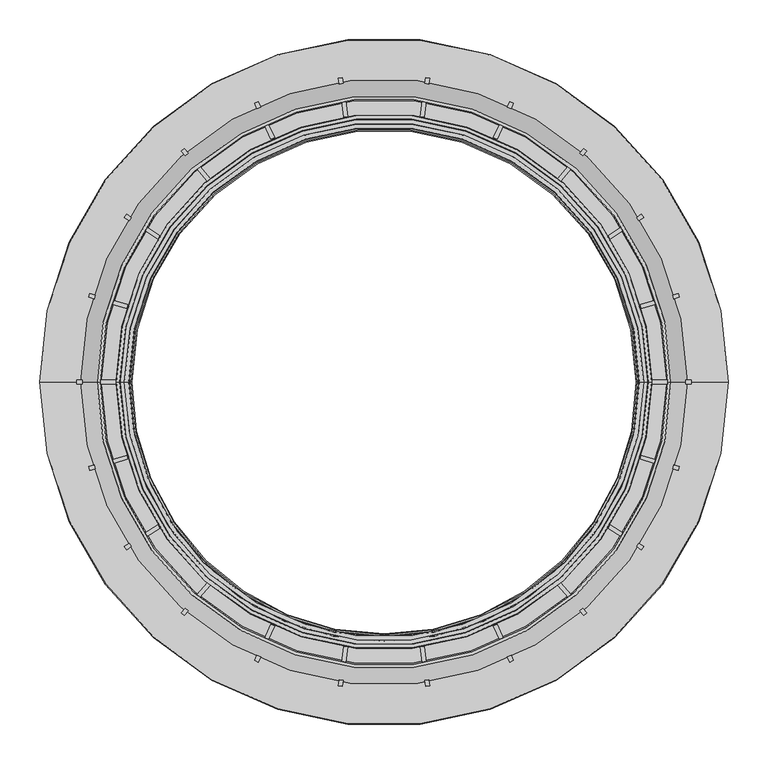
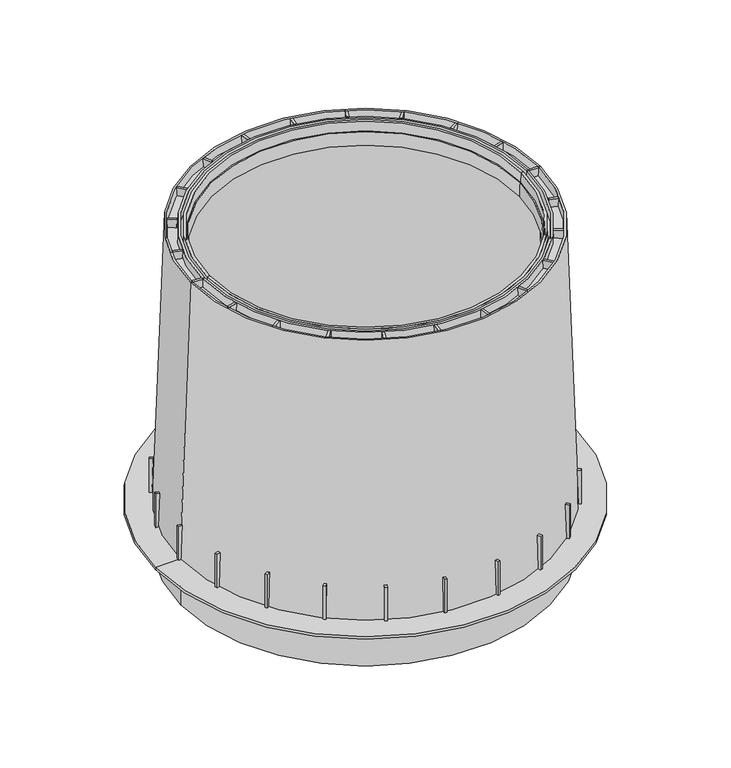
"""IFC4 building model written with IfcOpenShell, lengths in millimetres: proxy geometry."""

from ifc_helpers import new_model, si_unit, frame, origin, place, context, project, spatial, polyline, circle_curve, outline, extrude, source, transform, mapped, element, save
from ifc_brep_helpers import plane_surface, revolved_surface, advanced_brep


def specialty_equipment_e8b2a2d0(model_context):
    return source(origin(), model_context, "Body", "SolidModel", [
        advanced_brep(
        [(435.0, 0.0, 11.0), (-435.0, 0.0, 11.0), (-383.7904754, 0.0, 11.0), (383.7904754, 0.0, 11.0), (435.524932, 0.0, 5.0), (-435.524932, 0.0, 5.0), (384.0139606, 0.0, 5.0), (-384.0139606, 0.0, 5.0), (383.0190866, 0.0, -90.0), (-383.0190866, 0.0, -90.0), (378.8253524, 0.0, -90.0), (-378.8253524, 0.0, -90.0), (377.9963, 0.0, 5.0), (-377.9963, 0.0, 5.0), (357.7355977, 0.0, 585.5), (-357.7355977, 0.0, 585.5), (327.3017332, 0.0, 585.5), (-327.3017332, 0.0, 585.5), (325.0707722, 0.0, 560.0), (-325.0707722, 0.0, 560.0), (319.0707722, 0.0, 560.0), (-319.0707722, 0.0, 560.0), (320.0770663, 0.0, 588.8164931), (-320.0770663, 0.0, 588.8164931), (322.0894576, 0.0, 589.171332), (-322.0894576, 0.0, 589.171332), (322.8168107, 0.0, 610.0), (-322.8168107, 0.0, 610.0), (328.1339942, 0.0, 610.0), (-328.1339942, 0.0, 610.0), (328.2867144, 0.0, 592.5), (-328.2867144, 0.0, 592.5), (333.3742766, 0.0, 592.5), (-333.3742766, 0.0, 592.5), (333.98539, 0.0, 610.0), (-333.98539, 0.0, 610.0), (338.4742808, 0.0, 610.0), (-338.4742808, 0.0, 610.0), (339.0853943, 0.0, 592.5), (-339.0853943, 0.0, 592.5), (357.4840479, 0.0, 592.5), (-357.4840479, 0.0, 592.5), (359.0150995, 0.0, 610.0), (-359.0150995, 0.0, 610.0), (362.8729324, 0.0, 610.0), (-362.8729324, 0.0, 610.0)],
        [
            (0, 1, circle_curve(frame((0.0, 0.0, 11.0), z_axis=(0.0, 0.0, 1.0), x_axis=(-1.0, 0.0, 0.0)), 435.0)),
            (1, 2),
            (2, 3, circle_curve(frame((0.0, 0.0, 11.0), z_axis=(0.0, 0.0, -1.0), x_axis=(-1.0, 0.0, 0.0)), 383.7904754)),
            (3, 0),
            (1, 0, circle_curve(frame((0.0, 0.0, 11.0), z_axis=(0.0, 0.0, 1.0), x_axis=(-1.0, 0.0, 0.0)), 435.0)),
            (3, 2, circle_curve(frame((0.0, 0.0, 11.0), z_axis=(0.0, 0.0, -1.0), x_axis=(-1.0, 0.0, 0.0)), 383.7904754)),
            (4, 5, circle_curve(frame((0.0, 0.0, 5.0), z_axis=(0.0, 0.0, 1.0), x_axis=(-1.0, 0.0, 0.0)), 435.524932)),
            (5, 1),
            (0, 4),
            (5, 4, circle_curve(frame((0.0, 0.0, 5.0), z_axis=(0.0, 0.0, 1.0), x_axis=(-1.0, 0.0, 0.0)), 435.524932)),
            (6, 7, circle_curve(frame((0.0, 0.0, 5.0), z_axis=(0.0, 0.0, 1.0), x_axis=(-1.0, 0.0, 0.0)), 384.0139606)),
            (7, 5),
            (4, 6),
            (7, 6, circle_curve(frame((0.0, 0.0, 5.0), z_axis=(0.0, 0.0, 1.0), x_axis=(-1.0, 0.0, 0.0)), 384.0139606)),
            (8, 9, circle_curve(frame((0.0, 0.0, -90.0), z_axis=(0.0, 0.0, 1.0), x_axis=(-1.0, 0.0, 0.0)), 383.0190866)),
            (9, 7),
            (6, 8),
            (9, 8, circle_curve(frame((0.0, 0.0, -90.0), z_axis=(0.0, 0.0, 1.0), x_axis=(-1.0, 0.0, 0.0)), 383.0190866)),
            (10, 11, circle_curve(frame((0.0, 0.0, -90.0), z_axis=(0.0, 0.0, 1.0), x_axis=(-1.0, 0.0, 0.0)), 378.8253524)),
            (11, 9),
            (8, 10),
            (11, 10, circle_curve(frame((0.0, 0.0, -90.0), z_axis=(0.0, 0.0, 1.0), x_axis=(-1.0, 0.0, 0.0)), 378.8253524)),
            (12, 13, circle_curve(frame((0.0, 0.0, 5.0), z_axis=(0.0, 0.0, 1.0), x_axis=(-1.0, 0.0, 0.0)), 377.9963)),
            (13, 11),
            (10, 12),
            (13, 12, circle_curve(frame((0.0, 0.0, 5.0), z_axis=(0.0, 0.0, 1.0), x_axis=(-1.0, 0.0, 0.0)), 377.9963)),
            (14, 15, circle_curve(frame((0.0, 0.0, 585.5), z_axis=(0.0, 0.0, 1.0), x_axis=(-1.0, 0.0, 0.0)), 357.7355977)),
            (15, 13),
            (12, 14),
            (15, 14, circle_curve(frame((0.0, 0.0, 585.5), z_axis=(0.0, 0.0, 1.0), x_axis=(-1.0, 0.0, 0.0)), 357.7355977)),
            (16, 17, circle_curve(frame((0.0, 0.0, 585.5), z_axis=(0.0, 0.0, 1.0), x_axis=(-1.0, 0.0, 0.0)), 327.3017332)),
            (17, 15),
            (14, 16),
            (17, 16, circle_curve(frame((0.0, 0.0, 585.5), z_axis=(0.0, 0.0, 1.0), x_axis=(-1.0, 0.0, 0.0)), 327.3017332)),
            (18, 19, circle_curve(frame((0.0, 0.0, 560.0), z_axis=(0.0, 0.0, 1.0), x_axis=(-1.0, 0.0, 0.0)), 325.0707722)),
            (19, 17),
            (16, 18),
            (19, 18, circle_curve(frame((0.0, 0.0, 560.0), z_axis=(0.0, 0.0, 1.0), x_axis=(-1.0, 0.0, 0.0)), 325.0707722)),
            (20, 21, circle_curve(frame((0.0, 0.0, 560.0), z_axis=(0.0, 0.0, 1.0), x_axis=(-1.0, 0.0, 0.0)), 319.0707722)),
            (21, 19),
            (18, 20),
            (21, 20, circle_curve(frame((0.0, 0.0, 560.0), z_axis=(0.0, 0.0, 1.0), x_axis=(-1.0, 0.0, 0.0)), 319.0707722)),
            (22, 23, circle_curve(frame((0.0, 0.0, 588.8164931), z_axis=(0.0, 0.0, 1.0), x_axis=(-1.0, 0.0, 0.0)), 320.0770663)),
            (23, 21),
            (20, 22),
            (23, 22, circle_curve(frame((0.0, 0.0, 588.8164931), z_axis=(0.0, 0.0, 1.0), x_axis=(-1.0, 0.0, 0.0)), 320.0770663)),
            (24, 25, circle_curve(frame((0.0, 0.0, 589.171332), z_axis=(0.0, 0.0, 1.0), x_axis=(-1.0, 0.0, 0.0)), 322.0894576)),
            (25, 23),
            (22, 24),
            (25, 24, circle_curve(frame((0.0, 0.0, 589.171332), z_axis=(0.0, 0.0, 1.0), x_axis=(-1.0, 0.0, 0.0)), 322.0894576)),
            (26, 27, circle_curve(frame((0.0, 0.0, 610.0), z_axis=(0.0, 0.0, 1.0), x_axis=(-1.0, 0.0, 0.0)), 322.8168107)),
            (27, 25),
            (24, 26),
            (27, 26, circle_curve(frame((0.0, 0.0, 610.0), z_axis=(0.0, 0.0, 1.0), x_axis=(-1.0, 0.0, 0.0)), 322.8168107)),
            (28, 29, circle_curve(frame((0.0, 0.0, 610.0), z_axis=(0.0, 0.0, 1.0), x_axis=(-1.0, 0.0, 0.0)), 328.1339942)),
            (29, 27),
            (26, 28),
            (29, 28, circle_curve(frame((0.0, 0.0, 610.0), z_axis=(0.0, 0.0, 1.0), x_axis=(-1.0, 0.0, 0.0)), 328.1339942)),
            (30, 31, circle_curve(frame((0.0, 0.0, 592.5), z_axis=(0.0, 0.0, 1.0), x_axis=(-1.0, 0.0, 0.0)), 328.2867144)),
            (31, 29),
            (28, 30),
            (31, 30, circle_curve(frame((0.0, 0.0, 592.5), z_axis=(0.0, 0.0, 1.0), x_axis=(-1.0, 0.0, 0.0)), 328.2867144)),
            (32, 33, circle_curve(frame((0.0, 0.0, 592.5), z_axis=(0.0, 0.0, 1.0), x_axis=(-1.0, 0.0, 0.0)), 333.3742766)),
            (33, 31),
            (30, 32),
            (33, 32, circle_curve(frame((0.0, 0.0, 592.5), z_axis=(0.0, 0.0, 1.0), x_axis=(-1.0, 0.0, 0.0)), 333.3742766)),
            (34, 35, circle_curve(frame((0.0, 0.0, 610.0), z_axis=(0.0, 0.0, 1.0), x_axis=(-1.0, 0.0, 0.0)), 333.98539)),
            (35, 33),
            (32, 34),
            (35, 34, circle_curve(frame((0.0, 0.0, 610.0), z_axis=(0.0, 0.0, 1.0), x_axis=(-1.0, 0.0, 0.0)), 333.98539)),
            (36, 37, circle_curve(frame((0.0, 0.0, 610.0), z_axis=(0.0, 0.0, 1.0), x_axis=(-1.0, 0.0, 0.0)), 338.4742808)),
            (37, 35),
            (34, 36),
            (37, 36, circle_curve(frame((0.0, 0.0, 610.0), z_axis=(0.0, 0.0, 1.0), x_axis=(-1.0, 0.0, 0.0)), 338.4742808)),
            (38, 39, circle_curve(frame((0.0, 0.0, 592.5), z_axis=(0.0, 0.0, 1.0), x_axis=(-1.0, 0.0, 0.0)), 339.0853943)),
            (39, 37),
            (36, 38),
            (39, 38, circle_curve(frame((0.0, 0.0, 592.5), z_axis=(0.0, 0.0, 1.0), x_axis=(-1.0, 0.0, 0.0)), 339.0853943)),
            (40, 41, circle_curve(frame((0.0, 0.0, 592.5), z_axis=(0.0, 0.0, 1.0), x_axis=(-1.0, 0.0, 0.0)), 357.4840479)),
            (41, 39),
            (38, 40),
            (41, 40, circle_curve(frame((0.0, 0.0, 592.5), z_axis=(0.0, 0.0, 1.0), x_axis=(-1.0, 0.0, 0.0)), 357.4840479)),
            (42, 43, circle_curve(frame((0.0, 0.0, 610.0), z_axis=(0.0, 0.0, 1.0), x_axis=(-1.0, 0.0, 0.0)), 359.0150995)),
            (43, 41),
            (40, 42),
            (43, 42, circle_curve(frame((0.0, 0.0, 610.0), z_axis=(0.0, 0.0, 1.0), x_axis=(-1.0, 0.0, 0.0)), 359.0150995)),
            (44, 45, circle_curve(frame((0.0, 0.0, 610.0), z_axis=(0.0, 0.0, 1.0), x_axis=(-1.0, 0.0, 0.0)), 362.8729324)),
            (45, 43),
            (42, 44),
            (45, 44, circle_curve(frame((0.0, 0.0, 610.0), z_axis=(0.0, 0.0, 1.0), x_axis=(-1.0, 0.0, 0.0)), 362.8729324)),
            (2, 45),
            (44, 3),
        ],
        [
            plane_surface(frame((0.0, 0.0, 11.0), z_axis=(0.0, 0.0, 1.0), x_axis=(-1.0, 0.0, 0.0))),
            revolved_surface(polyline([(-435.0, 0.0, 11.0), (-435.524932, 0.0, 5.0)]), (0.0, 0.0, 491.5), (0.0, 0.0, -1.0)),
            plane_surface(frame((0.0, 0.0, 5.0), z_axis=(0.0, 0.0, -1.0), x_axis=(-1.0, 0.0, 0.0))),
            revolved_surface(polyline([(-384.0139606, 0.0, 5.0), (-383.0190866, 0.0, -90.0)]), (0.0, 0.0, 491.5), (0.0, 0.0, -1.0)),
            plane_surface(frame((0.0, 0.0, -90.0), z_axis=(0.0, 0.0, -1.0), x_axis=(-1.0, 0.0, 0.0))),
            revolved_surface(polyline([(-378.8253524, 0.0, -90.0), (-377.9963, 0.0, 5.0)]), (0.0, 0.0, 491.5), (0.0, 0.0, -1.0)),
            revolved_surface(polyline([(-377.9963, 0.0, 5.0), (-357.7355977, 0.0, 585.5)]), (0.0, 0.0, 491.5), (0.0, 0.0, -1.0)),
            plane_surface(frame((0.0, 0.0, 585.5), z_axis=(0.0, 0.0, -1.0), x_axis=(-1.0, 0.0, 0.0))),
            revolved_surface(polyline([(-327.3017332, 0.0, 585.5), (-325.0707722, 0.0, 560.0)]), (0.0, 0.0, 491.5), (0.0, 0.0, -1.0)),
            plane_surface(frame((0.0, 0.0, 560.0), z_axis=(0.0, 0.0, -1.0), x_axis=(-1.0, 0.0, 0.0))),
            revolved_surface(polyline([(-319.0707722, 0.0, 560.0), (-320.0770663, 0.0, 588.8164931)]), (0.0, 0.0, 491.5), (0.0, 0.0, -1.0)),
            revolved_surface(polyline([(-320.0770663, 0.0, 588.8164931), (-322.0894576, 0.0, 589.171332)]), (0.0, 0.0, 491.5), (0.0, 0.0, -1.0)),
            revolved_surface(polyline([(-322.0894576, 0.0, 589.171332), (-322.8168107, 0.0, 610.0)]), (0.0, 0.0, 491.5), (0.0, 0.0, -1.0)),
            plane_surface(frame((0.0, 0.0, 610.0), z_axis=(0.0, 0.0, 1.0), x_axis=(-1.0, 0.0, 0.0))),
            revolved_surface(polyline([(-328.1339942, 0.0, 610.0), (-328.2867144, 0.0, 592.5)]), (0.0, 0.0, 491.5), (0.0, 0.0, -1.0)),
            plane_surface(frame((0.0, 0.0, 592.5), z_axis=(0.0, 0.0, 1.0), x_axis=(-1.0, 0.0, 0.0))),
            revolved_surface(polyline([(-333.3742766, 0.0, 592.5), (-333.98539, 0.0, 610.0)]), (0.0, 0.0, 491.5), (0.0, 0.0, -1.0)),
            revolved_surface(polyline([(-338.4742808, 0.0, 610.0), (-339.0853943, 0.0, 592.5)]), (0.0, 0.0, 491.5), (0.0, 0.0, -1.0)),
            revolved_surface(polyline([(-357.4840479, 0.0, 592.5), (-359.0150995, 0.0, 610.0)]), (0.0, 0.0, 491.5), (0.0, 0.0, -1.0)),
            revolved_surface(polyline([(-362.8729324, 0.0, 610.0), (-383.7904754, 0.0, 11.0)]), (0.0, 0.0, 491.5), (0.0, 0.0, -1.0)),
        ],
        [
            (0, [[1, 2, 3, 4]]),
            (0, [[5, -4, 6, -2]]),
            (1, [[7, 8, -1, 9]]),
            (1, [[10, -9, -5, -8]]),
            (2, [[11, 12, -7, 13]]),
            (2, [[14, -13, -10, -12]]),
            (3, [[15, 16, -11, 17]]),
            (3, [[18, -17, -14, -16]]),
            (4, [[19, 20, -15, 21]]),
            (4, [[22, -21, -18, -20]]),
            (5, [[23, 24, -19, 25]]),
            (5, [[26, -25, -22, -24]]),
            (6, [[27, 28, -23, 29]]),
            (6, [[30, -29, -26, -28]]),
            (7, [[31, 32, -27, 33]]),
            (7, [[34, -33, -30, -32]]),
            (8, [[35, 36, -31, 37]]),
            (8, [[38, -37, -34, -36]]),
            (9, [[39, 40, -35, 41]]),
            (9, [[42, -41, -38, -40]]),
            (10, [[43, 44, -39, 45]]),
            (10, [[46, -45, -42, -44]]),
            (11, [[47, 48, -43, 49]]),
            (11, [[50, -49, -46, -48]]),
            (12, [[51, 52, -47, 53]]),
            (12, [[54, -53, -50, -52]]),
            (13, [[55, 56, -51, 57]]),
            (13, [[58, -57, -54, -56]]),
            (14, [[59, 60, -55, 61]]),
            (14, [[62, -61, -58, -60]]),
            (15, [[63, 64, -59, 65]]),
            (15, [[66, -65, -62, -64]]),
            (16, [[67, 68, -63, 69]]),
            (16, [[70, -69, -66, -68]]),
            (13, [[71, 72, -67, 73]]),
            (13, [[74, -73, -70, -72]]),
            (17, [[75, 76, -71, 77]]),
            (17, [[78, -77, -74, -76]]),
            (15, [[79, 80, -75, 81]]),
            (15, [[82, -81, -78, -80]]),
            (18, [[83, 84, -79, 85]]),
            (18, [[86, -85, -82, -84]]),
            (13, [[87, 88, -83, 89]]),
            (13, [[90, -89, -86, -88]]),
            (19, [[-3, 91, -87, 92]]),
            (19, [[-6, -92, -90, -91]]),
        ],
    ),
        extrude(outline(polyline([(-75.5978034, 0.0), (-68.2063382, 0.0), (-70.7904754, -74.0), (-75.5978034, -74.0), (-75.5978034, 0.0)])), frame((47.019098, 309.4583242, 85.0), z_axis=(-0.989821441880914, 0.14231483827341518, 0.0), x_axis=(-0.14231483827341518, -0.989821441880914, 0.0)), (0.0, 0.0, 1.0), 5.0),
        extrude(outline(polyline([(-46.0150996, 525.0), (-25.4742808, 525.0), (-26.0853943, 507.5), (-44.484048, 507.5), (-46.0150996, 525.0)])), frame((47.019098, 309.4583242, 85.0), z_axis=(-0.989821441880914, 0.14231483827341518, 0.0), x_axis=(-0.14231483827341518, -0.989821441880914, 0.0)), (0.0, 0.0, 1.0), 5.0),
        extrude(outline(polyline([(-137.0491355, 0.0), (-63.0491355, 0.0), (-63.0491355, -4.8073281), (-137.0491355, -7.3914653), (-137.0491355, 0.0)])), frame((-57.7777872, 384.286651, -52.0491355), z_axis=(0.9898214418809483, 0.1423148382731768, 0.0), x_axis=(0.0, 0.0, -1.0)), (0.0, 0.0, 1.0), 5.0),
        extrude(outline(polyline([(-662.0491355, -29.5827039), (-644.5491355, -31.1137555), (-644.5491355, -49.5124091), (-662.0491355, -50.1235226), (-662.0491355, -29.5827039)])), frame((-57.7777872, 384.286651, -52.0491355), z_axis=(0.9898214418809483, 0.1423148382731768, 0.0), x_axis=(0.0, 0.0, -1.0)), (0.0, 0.0, 1.0), 5.0),
        extrude(outline(polyline([(85.0, 388.5978034), (85.0, 381.2063382), (11.0, 383.7904754), (11.0, 388.5978034), (85.0, 388.5978034)])), frame((0.0, -2.5, 0.0), z_axis=(0.0, 1.0, 0.0), x_axis=(0.0, 0.0, 1.0)), (0.0, 0.0, 1.0), 5.0),
        extrude(outline(polyline([(610.0, 359.0150995), (610.0, 338.4742808), (592.5, 339.0853943), (592.5, 357.4840479), (610.0, 359.0150995)])), frame((0.0, -2.5, 0.0), z_axis=(0.0, 1.0, 0.0), x_axis=(0.0, 0.0, 1.0)), (0.0, 0.0, 1.0), 5.0),
        extrude(outline(polyline([(-137.0491355, 0.0), (-63.0491355, 0.0), (-63.0491355, -4.807328), (-137.0491355, -7.3914652), (-137.0491355, 0.0)])), frame((-252.5880688, -295.3197764, -52.0491355), z_axis=(-0.7557495743544165, 0.6548607339451025, 0.0), x_axis=(0.0, 0.0, -1.0)), (0.0, 0.0, 1.0), 5.0),
        extrude(outline(polyline([(-662.0491355, -29.5827039), (-644.5491355, -31.1137555), (-644.5491355, -49.5124092), (-662.0491355, -50.1235226), (-662.0491355, -29.5827039)])), frame((-252.5880688, -295.3197764, -52.0491355), z_axis=(-0.7557495743544165, 0.6548607339451025, 0.0), x_axis=(0.0, 0.0, -1.0)), (0.0, 0.0, 1.0), 5.0),
        extrude(outline(polyline([(75.5978034, 0.0), (75.5978034, -74.0), (70.7904755, -74.0), (68.2063382, 0.0), (75.5978034, 0.0)])), frame((-261.9607537, -171.3237097, 85.0), z_axis=(-0.5406408174557824, 0.8412535328310624, 0.0), x_axis=(-0.8412535328310624, -0.5406408174557824, 0.0)), (0.0, 0.0, 1.0), 5.0),
        extrude(outline(polyline([(46.0150996, 525.0), (44.4840479, 507.5), (26.0853943, 507.5), (25.4742809, 525.0), (46.0150996, 525.0)])), frame((-261.9607537, -171.3237097, 85.0), z_axis=(-0.5406408174557824, 0.8412535328310624, 0.0), x_axis=(-0.8412535328310624, -0.5406408174557824, 0.0)), (0.0, 0.0, 1.0), 5.0),
        extrude(outline(polyline([(75.5978035, 0.0), (75.5978035, -74.0), (70.7904755, -74.0), (68.2063383, 0.0), (75.5978035, 0.0)])), frame((-299.6169693, -90.5810227, 85.0), z_axis=(-0.2817325568416294, 0.9594929736144387, 0.0), x_axis=(-0.9594929736144387, -0.2817325568416294, 0.0)), (0.0, 0.0, 1.0), 5.0),
        extrude(outline(polyline([(46.0150996, 525.0), (44.484048, 507.5), (26.0853944, 507.5), (25.4742809, 525.0), (46.0150996, 525.0)])), frame((-299.6169693, -90.5810227, 85.0), z_axis=(-0.2817325568416294, 0.9594929736144387, 0.0), x_axis=(-0.9594929736144387, -0.2817325568416294, 0.0)), (0.0, 0.0, 1.0), 5.0),
        extrude(outline(polyline([(-137.0491355, 0.0), (-63.0491355, 0.0), (-63.0491355, -4.8073281), (-137.0491355, -7.3914653), (-137.0491355, 0.0)])), frame((-159.1552816, -354.5195329, -52.0491355), z_axis=(-0.9096319953546326, 0.41541501300163636, 0.0), x_axis=(0.0, 0.0, -1.0)), (0.0, 0.0, 1.0), 5.0),
        extrude(outline(polyline([(-662.0491355, -29.5827039), (-644.5491355, -31.1137555), (-644.5491355, -49.5124092), (-662.0491355, -50.1235226), (-662.0491355, -29.5827039)])), frame((-159.1552816, -354.5195329, -52.0491355), z_axis=(-0.9096319953546326, 0.41541501300163636, 0.0), x_axis=(0.0, 0.0, -1.0)), (0.0, 0.0, 1.0), 5.0),
        extrude(outline(polyline([(-137.0491355, 0.0), (-63.0491355, 0.0), (-63.0491355, -4.8073281), (-137.0491355, -7.3914652), (-137.0491355, 0.0)])), frame((-52.8286799, -384.9982252, -52.0491355), z_axis=(-0.9898214418809735, 0.1423148382730018, 0.0), x_axis=(0.0, 0.0, -1.0)), (0.0, 0.0, 1.0), 5.0),
        extrude(outline(polyline([(-662.0491355, -29.5827039), (-644.5491355, -31.1137555), (-644.5491355, -49.5124091), (-662.0491355, -50.1235226), (-662.0491355, -29.5827039)])), frame((-52.8286799, -384.9982252, -52.0491355), z_axis=(-0.9898214418809735, 0.1423148382730018, 0.0), x_axis=(0.0, 0.0, -1.0)), (0.0, 0.0, 1.0), 5.0),
        extrude(outline(polyline([(137.0491355, 0.0), (137.0491355, -7.3914653), (63.0491355, -4.8073281), (63.0491355, 0.0), (137.0491355, 0.0)])), frame((373.5611934, 107.0819203, -52.0491355), z_axis=(-0.28173255684125176, 0.9594929736145498, 0.0), x_axis=(0.0, 0.0, 1.0)), (0.0, 0.0, 1.0), 5.0),
        extrude(outline(polyline([(662.0491355, -29.582704), (662.0491355, -50.1235227), (644.5491355, -49.5124092), (644.5491355, -31.1137555), (662.0491355, -29.582704)])), frame((373.5611934, 107.0819203, -52.0491355), z_axis=(-0.28173255684125176, 0.9594929736145498, 0.0), x_axis=(0.0, 0.0, 1.0)), (0.0, 0.0, 1.0), 5.0),
        extrude(outline(polyline([(137.0491355, 0.0), (137.0491355, -7.3914652), (63.0491355, -4.8073281), (63.0491355, 0.0), (137.0491355, 0.0)])), frame((328.260877, 207.9887003, -52.0491355), z_axis=(-0.5406408174554695, 0.8412535328312635, 0.0), x_axis=(0.0, 0.0, 1.0)), (0.0, 0.0, 1.0), 5.0),
        extrude(outline(polyline([(662.0491355, -29.5827038), (662.0491355, -50.1235227), (644.5491355, -49.5124092), (644.5491355, -31.1137555), (662.0491355, -29.5827038)])), frame((328.260877, 207.9887003, -52.0491355), z_axis=(-0.5406408174554695, 0.8412535328312635, 0.0), x_axis=(0.0, 0.0, 1.0)), (0.0, 0.0, 1.0), 5.0),
        extrude(outline(polyline([(-75.5978034, 0.0), (-68.2063382, 0.0), (-70.7904755, -74.0), (-75.5978034, -74.0), (-75.5978034, 0.0)])), frame((203.0820358, -238.1867686, 85.0), z_axis=(0.7557495743544166, 0.6548607339451025, 0.0), x_axis=(-0.6548607339451025, 0.7557495743544166, 0.0)), (0.0, 0.0, 1.0), 5.0),
        extrude(outline(polyline([(-46.0150995, 525.0), (-25.4742808, 525.0), (-26.0853942, 507.5), (-44.484048, 507.5), (-46.0150995, 525.0)])), frame((203.0820358, -238.1867686, 85.0), z_axis=(0.7557495743544166, 0.6548607339451025, 0.0), x_axis=(-0.6548607339451025, 0.7557495743544166, 0.0)), (0.0, 0.0, 1.0), 5.0),
        extrude(outline(polyline([(137.0491355, 0.0), (137.0491355, -7.3914652), (63.0491355, -4.8073279), (63.0491355, 0.0), (137.0491355, 0.0)])), frame((325.5576729, -212.1949679, -52.0491355), z_axis=(0.5406408174557824, 0.8412535328310624, 0.0), x_axis=(0.0, 0.0, 1.0)), (0.0, 0.0, 1.0), 5.0),
        extrude(outline(polyline([(662.0491355, -29.5827038), (662.0491355, -50.1235225), (644.5491355, -49.5124091), (644.5491355, -31.1137555), (662.0491355, -29.5827038)])), frame((325.5576729, -212.1949679, -52.0491355), z_axis=(0.5406408174557824, 0.8412535328310624, 0.0), x_axis=(0.0, 0.0, 1.0)), (0.0, 0.0, 1.0), 5.0),
        extrude(outline(polyline([(137.0491355, 0.0), (137.0491355, -7.3914653), (63.0491355, -4.8073281), (63.0491355, 0.0), (137.0491355, 0.0)])), frame((372.1525306, -111.8793852, -52.0491355), z_axis=(0.2817325568416294, 0.9594929736144389, 0.0), x_axis=(0.0, 0.0, 1.0)), (0.0, 0.0, 1.0), 5.0),
        extrude(outline(polyline([(662.0491355, -29.582704), (662.0491355, -50.1235227), (644.5491355, -49.5124092), (644.5491355, -31.1137555), (662.0491355, -29.582704)])), frame((372.1525306, -111.8793852, -52.0491355), z_axis=(0.2817325568416294, 0.9594929736144389, 0.0), x_axis=(0.0, 0.0, 1.0)), (0.0, 0.0, 1.0), 5.0),
        extrude(outline(polyline([(-75.5978035, 0.0), (-68.2063382, 0.0), (-70.7904754, -74.0), (-75.5978035, -74.0), (-75.5978035, 0.0)])), frame((127.7508191, -285.7533521, 85.0), z_axis=(0.9096319953546327, 0.4154150130016364, 0.0), x_axis=(-0.4154150130016364, 0.9096319953546327, 0.0)), (0.0, 0.0, 1.0), 5.0),
        extrude(outline(polyline([(-46.0150995, 525.0), (-25.4742808, 525.0), (-26.0853942, 507.5), (-44.4840479, 507.5), (-46.0150995, 525.0)])), frame((127.7508191, -285.7533521, 85.0), z_axis=(0.9096319953546327, 0.4154150130016364, 0.0), x_axis=(-0.4154150130016364, 0.9096319953546327, 0.0)), (0.0, 0.0, 1.0), 5.0),
        extrude(outline(polyline([(-75.5978034, 0.0), (-68.2063382, 0.0), (-70.7904754, -74.0), (-75.5978034, -74.0), (-75.5978034, 0.0)])), frame((42.0699908, -310.1698984, 85.0), z_axis=(0.9898214418809735, 0.1423148382730018, 0.0), x_axis=(-0.1423148382730018, 0.9898214418809735, 0.0)), (0.0, 0.0, 1.0), 5.0),
        extrude(outline(polyline([(-46.0150996, 525.0), (-25.4742808, 525.0), (-26.0853943, 507.5), (-44.484048, 507.5), (-46.0150996, 525.0)])), frame((42.0699908, -310.1698984, 85.0), z_axis=(0.9898214418809735, 0.1423148382730018, 0.0), x_axis=(-0.1423148382730018, 0.9898214418809735, 0.0)), (0.0, 0.0, 1.0), 5.0),
        extrude(outline(polyline([(-75.5978035, 0.0), (-68.2063382, 0.0), (-70.7904754, -74.0), (-75.5978035, -74.0), (-75.5978035, 0.0)])), frame((132.2989791, 283.676277, 85.0), z_axis=(-0.9096319953544628, 0.41541501300200834, 0.0), x_axis=(-0.41541501300200834, -0.9096319953544628, 0.0)), (0.0, 0.0, 1.0), 5.0),
        extrude(outline(polyline([(-46.0150995, 525.0), (-25.4742808, 525.0), (-26.0853943, 507.5), (-44.4840479, 507.5), (-46.0150995, 525.0)])), frame((132.2989791, 283.676277, 85.0), z_axis=(-0.9096319953544628, 0.41541501300200834, 0.0), x_axis=(-0.41541501300200834, -0.9096319953544628, 0.0)), (0.0, 0.0, 1.0), 5.0),
        extrude(outline(polyline([(-75.5978034, 0.0), (-68.2063382, 0.0), (-70.7904754, -74.0), (-75.5978034, -74.0), (-75.5978034, 0.0)])), frame((206.8607837, 234.9124649, 85.0), z_axis=(-0.755749574354163, 0.6548607339453951, 0.0), x_axis=(-0.6548607339453951, -0.755749574354163, 0.0)), (0.0, 0.0, 1.0), 5.0),
        extrude(outline(polyline([(-46.0150995, 525.0), (-25.4742808, 525.0), (-26.0853943, 507.5), (-44.4840479, 507.5), (-46.0150995, 525.0)])), frame((206.8607837, 234.9124649, 85.0), z_axis=(-0.755749574354163, 0.6548607339453951, 0.0), x_axis=(-0.6548607339453951, -0.755749574354163, 0.0)), (0.0, 0.0, 1.0), 5.0),
        extrude(outline(polyline([(-137.0491355, 0.0), (-63.0491355, 0.0), (-63.0491355, -4.8073281), (-137.0491355, -7.3914652), (-137.0491355, 0.0)])), frame((-328.260877, 207.9887003, -52.0491355), z_axis=(0.5406408174556352, 0.841253532831157, 0.0), x_axis=(0.0, 0.0, -1.0)), (0.0, 0.0, 1.0), 5.0),
        extrude(outline(polyline([(-662.0491355, -29.5827038), (-644.5491355, -31.1137555), (-644.5491355, -49.5124092), (-662.0491355, -50.1235227), (-662.0491355, -29.5827038)])), frame((-328.260877, 207.9887003, -52.0491355), z_axis=(0.5406408174556352, 0.841253532831157, 0.0), x_axis=(0.0, 0.0, -1.0)), (0.0, 0.0, 1.0), 5.0),
        extrude(outline(polyline([(75.5978034, 0.0), (75.5978034, -74.0), (70.7904754, -74.0), (68.2063382, 0.0), (75.5978034, 0.0)])), frame((-206.8607837, 234.9124649, 85.0), z_axis=(0.7557495743543019, 0.6548607339452347, 0.0), x_axis=(-0.6548607339452347, 0.7557495743543019, 0.0)), (0.0, 0.0, 1.0), 5.0),
        extrude(outline(polyline([(46.0150995, 525.0), (44.4840479, 507.5), (26.0853943, 507.5), (25.4742808, 525.0), (46.0150995, 525.0)])), frame((-206.8607837, 234.9124649, 85.0), z_axis=(0.7557495743543019, 0.6548607339452347, 0.0), x_axis=(-0.6548607339452347, 0.7557495743543019, 0.0)), (0.0, 0.0, 1.0), 5.0),
        extrude(outline(polyline([(75.5978035, 0.0), (75.5978035, -74.0), (70.7904754, -74.0), (68.2063382, 0.0), (75.5978035, 0.0)])), frame((-132.2989791, 283.676277, 85.0), z_axis=(0.9096319953545509, 0.41541501300181544, 0.0), x_axis=(-0.41541501300181544, 0.9096319953545509, 0.0)), (0.0, 0.0, 1.0), 5.0),
        extrude(outline(polyline([(46.0150995, 525.0), (44.4840479, 507.5), (26.0853943, 507.5), (25.4742808, 525.0), (46.0150995, 525.0)])), frame((-132.2989791, 283.676277, 85.0), z_axis=(0.9096319953545509, 0.41541501300181544, 0.0), x_axis=(-0.41541501300181544, 0.9096319953545509, 0.0)), (0.0, 0.0, 1.0), 5.0),
        extrude(outline(polyline([(75.5978035, 0.0), (75.5978035, -74.0), (70.7904754, -74.0), (68.2063383, 0.0), (75.5978035, 0.0)])), frame((-264.6639578, 167.117442, 85.0), z_axis=(0.5406408174556255, 0.8412535328311632, 0.0), x_axis=(-0.8412535328311632, 0.5406408174556255, 0.0)), (0.0, 0.0, 1.0), 5.0),
        extrude(outline(polyline([(46.0150996, 525.0), (44.484048, 507.5), (26.0853943, 507.5), (25.4742808, 525.0), (46.0150996, 525.0)])), frame((-264.6639578, 167.117442, 85.0), z_axis=(0.5406408174556255, 0.8412535328311632, 0.0), x_axis=(-0.8412535328311632, 0.5406408174556255, 0.0)), (0.0, 0.0, 1.0), 5.0),
        extrude(outline(polyline([(-137.0491355, 0.0), (-63.0491355, 0.0), (-63.0491355, -4.8073281), (-137.0491355, -7.3914653), (-137.0491355, 0.0)])), frame((-373.5611934, 107.0819203, -52.0491355), z_axis=(0.28173255684144066, 0.9594929736144941, 0.0), x_axis=(0.0, 0.0, -1.0)), (0.0, 0.0, 1.0), 5.0),
        extrude(outline(polyline([(-662.0491355, -29.582704), (-644.5491355, -31.1137555), (-644.5491355, -49.5124092), (-662.0491355, -50.1235227), (-662.0491355, -29.582704)])), frame((-373.5611934, 107.0819203, -52.0491355), z_axis=(0.28173255684144066, 0.9594929736144941, 0.0), x_axis=(0.0, 0.0, -1.0)), (0.0, 0.0, 1.0), 5.0),
        extrude(outline(polyline([(85.0, -388.5978034), (11.0, -388.5978034), (11.0, -383.7904754), (85.0, -381.2063382), (85.0, -388.5978034)])), frame((0.0, -2.5, 0.0), z_axis=(0.0, 1.0, 0.0), x_axis=(0.0, 0.0, 1.0)), (0.0, 0.0, 1.0), 5.0),
        extrude(outline(polyline([(610.0, -359.0150995), (592.5, -357.4840479), (592.5, -339.0853943), (610.0, -338.4742808), (610.0, -359.0150995)])), frame((0.0, -2.5, 0.0), z_axis=(0.0, 1.0, 0.0), x_axis=(0.0, 0.0, 1.0)), (0.0, 0.0, 1.0), 5.0),
    ])


if __name__ == "__main__":
    model = new_model("IFC4")
    model_context = context("Model", 3, world=origin())
    ifc_project = project(units=[si_unit("LENGTHUNIT", "METRE", prefix="MILLI")], contexts=[model_context])
    site = spatial("IfcSite", under=ifc_project)
    building = spatial("IfcBuilding", under=site)
    placement = place(None, origin())
    specialty_equipment_shape = specialty_equipment_e8b2a2d0(model_context)
    element("IfcBuildingElementProxy", 1, Name="Specialty Equipment", at=placement, inside=building, context=model_context, shape_type="MappedRepresentation", body=[
        mapped(specialty_equipment_shape, transform((0.0, 0.0, 0.0), x_axis=(1.0, 0.0, 0.0), y_axis=(0.0, 1.0, 0.0), z_axis=(0.0, 0.0, 1.0))),
    ])
    save(model, "model.ifc")
